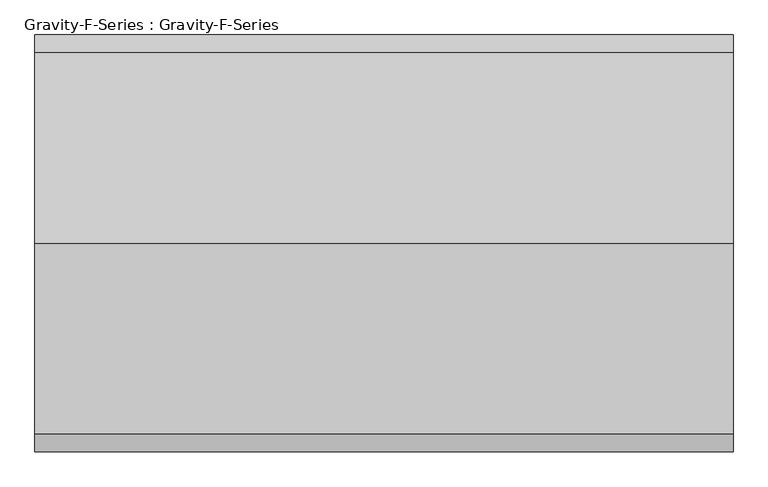
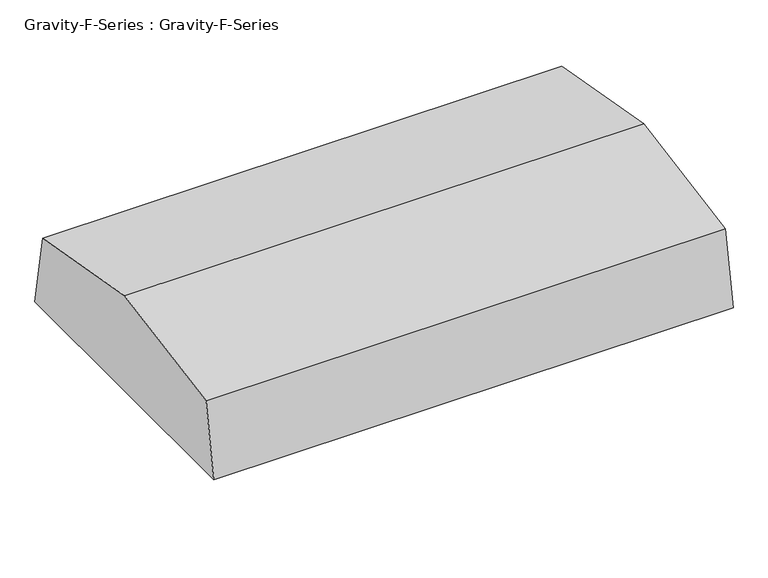
"""IFC4 building model written with IfcOpenShell, lengths in millimetres: proxy geometry, Gravity-F-Series : Gravity-F-Series."""

from ifc_helpers import new_model, si_unit, frame, origin, origin_with_axes, place, context, project, spatial, polyline, outline, extrude, faceted_brep, source, transform, mapped, element, save


def gravity_f_series_gravity_f_series_835df8b5(model_context):
    return source(origin(), model_context, "Body", "SolidModel", [
        faceted_brep([(253.0424473, 397.7765442, 298.45), (-356.5575527, 397.7765442, 298.45), (-356.5575527, -364.2234558, 298.45), (253.0424473, -364.2234558, 298.45), (-331.1575527, 372.3765442, 298.45), (227.6424473, 372.3765442, 298.45), (227.6424473, -335.6484558, 298.45), (-331.1575527, -335.6484558, 298.45), (253.0424473, 397.7765442, 0.0), (253.0424473, -364.2234558, 0.0), (-356.5575527, -364.2234558, 0.0), (-356.5575527, 397.7765442, 0.0), (249.8674473, -361.0484558, 0.0), (249.8674473, 394.9543219, 0.0), (-353.3825527, 394.9543219, 0.0), (-353.3825527, -361.0484558, 0.0), (253.0424473, 397.7765442, 273.05), (-356.5575527, 397.7765442, 273.05), (-356.5575527, -364.2234558, 273.05), (253.0424473, -364.2234558, 273.05), (249.8674473, -361.0484558, 273.05), (249.8674473, 394.9543219, 273.05), (-353.3825527, -361.0484558, 273.05), (-353.3825527, 394.9543219, 273.05), (-331.1575527, 372.3765442, 273.05), (-331.1575527, -335.6484558, 273.05), (227.6424473, -335.6484558, 273.05), (227.6424473, 372.3765442, 273.05)], [[[0, 1, 2, 3], [4, 5, 6, 7]], [[8, 9, 10, 11], [12, 13, 14, 15]], [[1, 0, 16, 8, 11, 17]], [[2, 1, 17, 11, 10, 18]], [[3, 2, 18, 10, 9, 19]], [[0, 3, 19, 9, 8, 16]], [[13, 12, 20, 21]], [[12, 15, 22, 20]], [[15, 14, 23, 22]], [[14, 13, 21, 23]], [[21, 20, 22, 23], [24, 25, 26, 27]], [[5, 4, 24, 27]], [[6, 5, 27, 26]], [[7, 6, 26, 25]], [[4, 7, 25, 24]]]),
        extrude(outline(polyline([(-407.3575527, -415.0234558), (-407.3575527, 448.5765442), (303.8424473, 448.5765442), (303.8424473, -415.0234558), (-407.3575527, -415.0234558)]), holes=[polyline([(-356.5575527, 397.7765442), (-356.5575527, -364.2234558), (253.0424473, -364.2234558), (253.0424473, 397.7765442), (-356.5575527, 397.7765442)])]), origin_with_axes(), (0.0, 0.0, 1.0), 3.175),
        faceted_brep([(265.7424473, 410.4765442, 304.8), (-369.2575527, 410.4765442, 304.8), (-369.2575527, -376.9234558, 304.8), (265.7424473, -376.9234558, 304.8), (265.7424473, 410.4765442, 260.35), (265.7424473, -376.9234558, 260.35), (-369.2575527, -376.9234558, 260.35), (-369.2575527, 410.4765442, 260.35), (262.5674473, -373.7484558, 260.35), (262.5674473, 407.3015442, 260.35), (-366.0825527, 407.3015442, 260.35), (-366.0825527, -373.7484558, 260.35), (262.5674473, 407.3015442, 301.625), (262.5674473, -373.7484558, 301.625), (-366.0825527, -373.7484558, 301.625), (-366.0825527, 407.3015442, 301.625)], [[[0, 1, 2, 3]], [[4, 5, 6, 7], [8, 9, 10, 11]], [[1, 0, 4, 7]], [[2, 1, 7, 6]], [[3, 2, 6, 5]], [[0, 3, 5, 4]], [[12, 13, 14, 15]], [[13, 12, 9, 8]], [[14, 13, 8, 11]], [[15, 14, 11, 10]], [[12, 15, 10, 9]]]),
        extrude(outline(polyline([(-923.0234558, 406.4), (-842.2424637, 864.531772), (16.7765442, 1016.0), (875.7955521, 864.531772), (956.5765442, 406.4), (-923.0234558, 406.4)])), frame((-1626.5575527, 0.0, 0.0), z_axis=(1.0, 0.0, 0.0), x_axis=(0.0, 1.0, 0.0)), (0.0, 0.0, 1.0), 3149.6),
        extrude(outline(polyline([(938.8424473, 473.9765442), (938.8424473, -440.4234558), (-1042.3575527, -440.4234558), (-1042.3575527, 473.9765442), (938.8424473, 473.9765442)])), frame((0.0, 0.0, 304.8), z_axis=(0.0, 0.0, 1.0), x_axis=(1.0, 0.0, 0.0)), (0.0, 0.0, 1.0), 101.6),
    ])


if __name__ == "__main__":
    model = new_model("IFC4")
    model_context = context("Model", 3, world=origin())
    ifc_project = project(units=[si_unit("LENGTHUNIT", "METRE", prefix="MILLI")], contexts=[model_context])
    site = spatial("IfcSite", under=ifc_project)
    building = spatial("IfcBuilding", under=site)
    placement = place(None, origin())
    gravity_f_series_gravity_f_series_shape = gravity_f_series_gravity_f_series_835df8b5(model_context)
    element("IfcBuildingElementProxy", 1, Name="Gravity-F-Series : Gravity-F-Series", ObjectType="Gravity-F-Series : Gravity-F-Series", at=placement, inside=building, context=model_context, shape_type="MappedRepresentation", body=[
        mapped(gravity_f_series_gravity_f_series_shape, transform((0.0, 0.0, 0.0), x_axis=(1.0, 0.0, 0.0), y_axis=(0.0, 1.0, 0.0), z_axis=(0.0, 0.0, 1.0))),
    ])
    save(model, "model.ifc")
